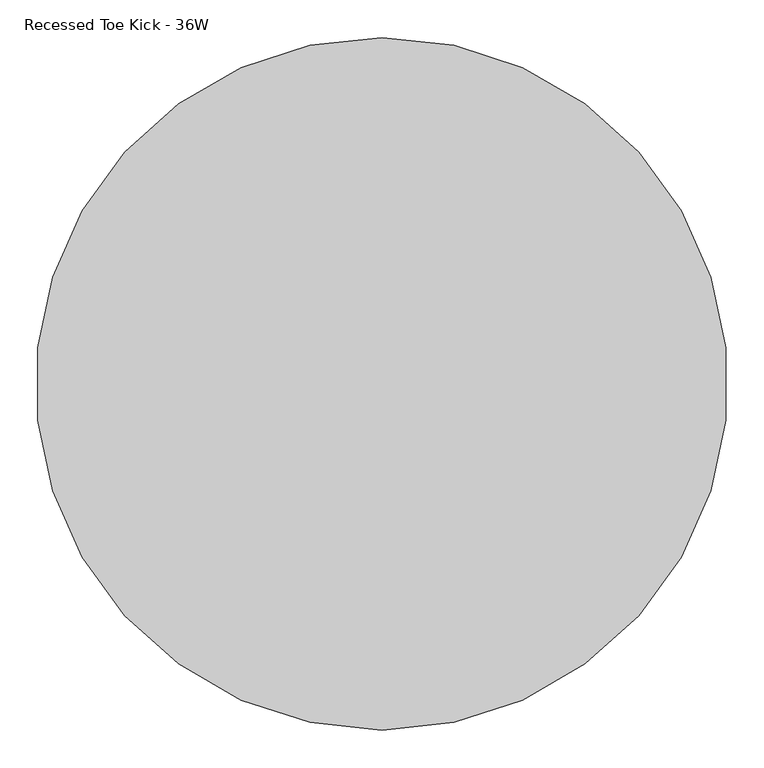
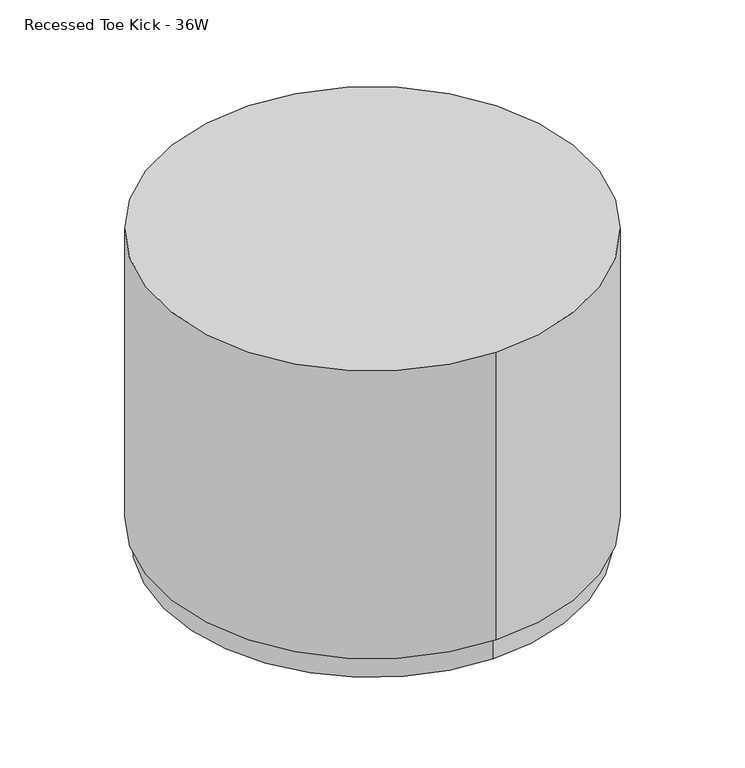
"""IFC4 building model written with IfcOpenShell, lengths in millimetres: furniture geometry, Recessed Toe Kick - 36W."""

from ifc_helpers import new_model, si_unit, point, frame, origin, origin_with_axes, origin_2d, place, context, project, spatial, circle_curve, trimmed, segment, composite_curve, outline, extrude, source, transform, mapped, element, save


def recessed_toe_kick_36w_b5ab7ac8(model_context):
    return source(origin(), model_context, "Body", "SweptSolid", [
        extrude(outline(composite_curve([segment(trimmed(circle_curve(origin_2d(), 444.5), [point((0.0, -444.5))], [point((0.0, 444.5))], False, "CARTESIAN"), True, "CONTINUOUS"), segment(trimmed(circle_curve(origin_2d(), 444.5), [point((0.0, 444.5))], [point((0.0, -444.5))], False, "CARTESIAN"), True, "CONTINUOUS")], self_intersect=False)), origin_with_axes(), (0.0, 0.0, 1.0), 50.8),
        extrude(outline(composite_curve([segment(trimmed(circle_curve(origin_2d(), 457.2), [point((0.0, -457.2))], [point((0.0, 457.2))], False, "CARTESIAN"), True, "CONTINUOUS"), segment(trimmed(circle_curve(origin_2d(), 457.2), [point((0.0, 457.2))], [point((0.0, -457.2))], False, "CARTESIAN"), True, "CONTINUOUS")], self_intersect=False)), frame((0.0, 0.0, 50.8), z_axis=(0.0, 0.0, 1.0), x_axis=(1.0, 0.0, 0.0)), (0.0, 0.0, 1.0), 647.7),
    ])


if __name__ == "__main__":
    model = new_model("IFC4")
    model_context = context("Model", 3, world=origin())
    ifc_project = project(units=[si_unit("LENGTHUNIT", "METRE", prefix="MILLI")], contexts=[model_context])
    site = spatial("IfcSite", under=ifc_project)
    building = spatial("IfcBuilding", under=site)
    placement = place(None, origin())
    recessed_toe_kick_36w_shape = recessed_toe_kick_36w_b5ab7ac8(model_context)
    element("IfcFurniture", 1, ObjectType="Recessed Toe Kick - 36W", at=placement, inside=building, context=model_context, shape_type="MappedRepresentation", body=[
        mapped(recessed_toe_kick_36w_shape, transform((0.0, 0.0, 0.0), x_axis=(1.0, 0.0, 0.0), y_axis=(0.0, 1.0, 0.0), z_axis=(0.0, 0.0, 1.0))),
    ])
    save(model, "model.ifc")
